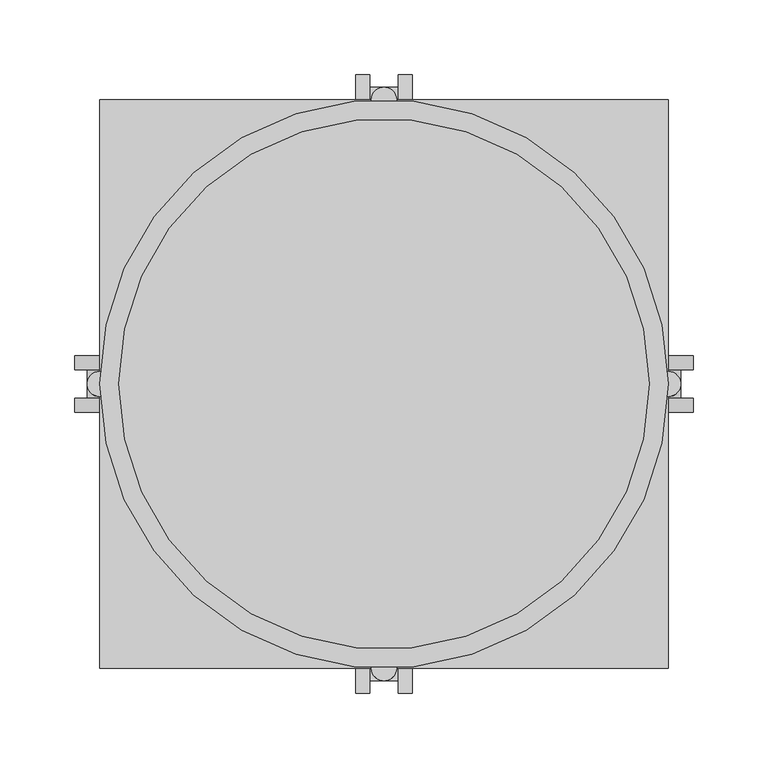
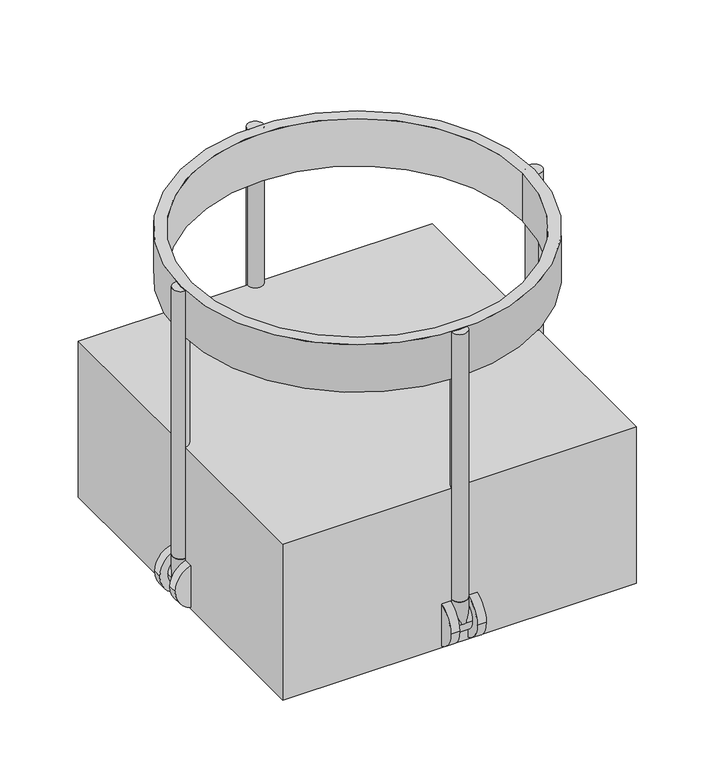
"""IFC4 building model written with IfcOpenShell, lengths in millimetres: proxy geometry."""

from ifc_helpers import new_model, si_unit, point, frame, frame_2d, origin, origin_with_axes, origin_2d, place, context, project, spatial, polyline, circle_curve, trimmed, segment, composite_curve, outline, extrude, source, transform, mapped, element, save


def specialty_equipment_7e218527(model_context):
    return source(origin(), model_context, "Body", "SweptSolid", [
        extrude(outline(composite_curve([segment(trimmed(circle_curve(origin_2d(), 190.5), [point((-190.5, 0.0))], [point((190.5, 0.0))], False, "CARTESIAN"), True, "CONTINUOUS"), segment(trimmed(circle_curve(origin_2d(), 190.5), [point((190.5, 0.0))], [point((-190.5, 0.0))], False, "CARTESIAN"), True, "CONTINUOUS")], self_intersect=False), holes=[composite_curve([segment(trimmed(circle_curve(origin_2d(), 177.8), [point((-177.8, 0.0))], [point((177.8, 0.0))], True, "CARTESIAN"), True, "CONTINUOUS"), segment(trimmed(circle_curve(origin_2d(), 177.8), [point((177.8, 0.0))], [point((-177.8, 0.0))], True, "CARTESIAN"), True, "CONTINUOUS")], self_intersect=False)]), frame((0.0, 0.0, 301.694085), z_axis=(0.0, 0.0, 1.0), x_axis=(1.0, 0.0, 0.0)), (0.0, 0.0, 1.0), 53.905915),
        extrude(outline(composite_curve([segment(trimmed(circle_curve(frame_2d((25.4, -182.0333333)), 25.4), [point((25.4, -156.6333333))], [point((25.4, -207.4333333))], False, "CARTESIAN"), True, "CONTINUOUS"), segment(trimmed(circle_curve(frame_2d((25.4, -182.0333333)), 25.4), [point((25.4, -207.4333333))], [point((25.4, -156.6333333))], False, "CARTESIAN"), True, "CONTINUOUS")], self_intersect=False)), frame((0.0, -19.05, 0.0), z_axis=(0.0, 1.0, 0.0), x_axis=(0.0, 0.0, 1.0)), (0.0, 0.0, 1.0), 9.525),
        extrude(outline(composite_curve([segment(trimmed(circle_curve(frame_2d((25.4, -182.0333333)), 25.4), [point((25.4, -156.6333333))], [point((25.4, -207.4333333))], False, "CARTESIAN"), True, "CONTINUOUS"), segment(trimmed(circle_curve(frame_2d((25.4, -182.0333333)), 25.4), [point((25.4, -207.4333333))], [point((25.4, -156.6333333))], False, "CARTESIAN"), True, "CONTINUOUS")], self_intersect=False)), frame((0.0, 9.525, 0.0), z_axis=(0.0, 1.0, 0.0), x_axis=(0.0, 0.0, 1.0)), (0.0, 0.0, 1.0), 9.525),
        extrude(outline(composite_curve([segment(trimmed(circle_curve(frame_2d((-190.5, 0.0)), 8.4666667), [point((-190.5, 8.4666667))], [point((-190.5, -8.4666667))], False, "CARTESIAN"), True, "CONTINUOUS"), segment(trimmed(circle_curve(frame_2d((-190.5, 0.0)), 8.4666667), [point((-190.5, -8.4666667))], [point((-190.5, 8.4666667))], False, "CARTESIAN"), True, "CONTINUOUS")], self_intersect=False)), frame((0.0, 0.0, 25.4), z_axis=(0.0, 0.0, 1.0), x_axis=(1.0, 0.0, 0.0)), (0.0, 0.0, 1.0), 25.4),
        extrude(outline(composite_curve([segment(trimmed(circle_curve(frame_2d((25.4, -182.0333333)), 16.9333333), [point((25.4, -165.1))], [point((25.4, -198.9666667))], False, "CARTESIAN"), True, "CONTINUOUS"), segment(trimmed(circle_curve(frame_2d((25.4, -182.0333333)), 16.9333333), [point((25.4, -198.9666667))], [point((25.4, -165.1))], False, "CARTESIAN"), True, "CONTINUOUS")], self_intersect=False)), frame((0.0, -9.525, 0.0), z_axis=(0.0, 1.0, 0.0), x_axis=(0.0, 0.0, 1.0)), (0.0, 0.0, 1.0), 19.05),
        extrude(outline(composite_curve([segment(trimmed(circle_curve(frame_2d((25.4, 182.0333333)), 25.4), [point((25.4, 156.6333333))], [point((25.4, 207.4333333))], False, "CARTESIAN"), True, "CONTINUOUS"), segment(trimmed(circle_curve(frame_2d((25.4, 182.0333333)), 25.4), [point((25.4, 207.4333333))], [point((25.4, 156.6333333))], False, "CARTESIAN"), True, "CONTINUOUS")], self_intersect=False)), frame((0.0, -19.05, 0.0), z_axis=(0.0, 1.0, 0.0), x_axis=(0.0, 0.0, 1.0)), (0.0, 0.0, 1.0), 9.525),
        extrude(outline(composite_curve([segment(trimmed(circle_curve(frame_2d((25.4, 182.0333333)), 25.4), [point((25.4, 156.6333333))], [point((25.4, 207.4333333))], False, "CARTESIAN"), True, "CONTINUOUS"), segment(trimmed(circle_curve(frame_2d((25.4, 182.0333333)), 25.4), [point((25.4, 207.4333333))], [point((25.4, 156.6333333))], False, "CARTESIAN"), True, "CONTINUOUS")], self_intersect=False)), frame((0.0, 9.525, 0.0), z_axis=(0.0, 1.0, 0.0), x_axis=(0.0, 0.0, 1.0)), (0.0, 0.0, 1.0), 9.525),
        extrude(outline(composite_curve([segment(trimmed(circle_curve(frame_2d((190.5, 0.0)), 8.4666667), [point((190.5, 8.4666667))], [point((190.5, -8.4666667))], False, "CARTESIAN"), True, "CONTINUOUS"), segment(trimmed(circle_curve(frame_2d((190.5, 0.0)), 8.4666667), [point((190.5, -8.4666667))], [point((190.5, 8.4666667))], False, "CARTESIAN"), True, "CONTINUOUS")], self_intersect=False)), frame((0.0, 0.0, 25.4), z_axis=(0.0, 0.0, 1.0), x_axis=(1.0, 0.0, 0.0)), (0.0, 0.0, 1.0), 25.4),
        extrude(outline(composite_curve([segment(trimmed(circle_curve(frame_2d((25.4, 182.0333333)), 16.9333333), [point((25.4, 165.1))], [point((25.4, 198.9666667))], False, "CARTESIAN"), True, "CONTINUOUS"), segment(trimmed(circle_curve(frame_2d((25.4, 182.0333333)), 16.9333333), [point((25.4, 198.9666667))], [point((25.4, 165.1))], False, "CARTESIAN"), True, "CONTINUOUS")], self_intersect=False)), frame((0.0, -9.525, 0.0), z_axis=(0.0, 1.0, 0.0), x_axis=(0.0, 0.0, 1.0)), (0.0, 0.0, 1.0), 19.05),
        extrude(outline(composite_curve([segment(trimmed(circle_curve(frame_2d((-182.0333333, 25.4)), 25.4), [point((-156.6333333, 25.4))], [point((-207.4333333, 25.4))], False, "CARTESIAN"), True, "CONTINUOUS"), segment(trimmed(circle_curve(frame_2d((-182.0333333, 25.4)), 25.4), [point((-207.4333333, 25.4))], [point((-156.6333333, 25.4))], False, "CARTESIAN"), True, "CONTINUOUS")], self_intersect=False)), frame((9.525, 0.0, 0.0), z_axis=(1.0, 0.0, 0.0), x_axis=(0.0, 1.0, 0.0)), (0.0, 0.0, 1.0), 9.525),
        extrude(outline(composite_curve([segment(trimmed(circle_curve(frame_2d((-182.0333333, 25.4)), 25.4), [point((-156.6333333, 25.4))], [point((-207.4333333, 25.4))], False, "CARTESIAN"), True, "CONTINUOUS"), segment(trimmed(circle_curve(frame_2d((-182.0333333, 25.4)), 25.4), [point((-207.4333333, 25.4))], [point((-156.6333333, 25.4))], False, "CARTESIAN"), True, "CONTINUOUS")], self_intersect=False)), frame((-19.05, 0.0, 0.0), z_axis=(1.0, 0.0, 0.0), x_axis=(0.0, 1.0, 0.0)), (0.0, 0.0, 1.0), 9.525),
        extrude(outline(composite_curve([segment(trimmed(circle_curve(frame_2d((0.0, -190.5)), 8.4666667), [point((-8.4666667, -190.5))], [point((8.4666667, -190.5))], False, "CARTESIAN"), True, "CONTINUOUS"), segment(trimmed(circle_curve(frame_2d((0.0, -190.5)), 8.4666667), [point((8.4666667, -190.5))], [point((-8.4666667, -190.5))], False, "CARTESIAN"), True, "CONTINUOUS")], self_intersect=False)), frame((0.0, 0.0, 25.4), z_axis=(0.0, 0.0, 1.0), x_axis=(1.0, 0.0, 0.0)), (0.0, 0.0, 1.0), 25.4),
        extrude(outline(composite_curve([segment(trimmed(circle_curve(frame_2d((-182.0333333, 25.4)), 16.9333333), [point((-165.1, 25.4))], [point((-198.9666667, 25.4))], False, "CARTESIAN"), True, "CONTINUOUS"), segment(trimmed(circle_curve(frame_2d((-182.0333333, 25.4)), 16.9333333), [point((-198.9666667, 25.4))], [point((-165.1, 25.4))], False, "CARTESIAN"), True, "CONTINUOUS")], self_intersect=False)), frame((-9.525, 0.0, 0.0), z_axis=(1.0, 0.0, 0.0), x_axis=(0.0, 1.0, 0.0)), (0.0, 0.0, 1.0), 19.05),
        extrude(outline(composite_curve([segment(trimmed(circle_curve(frame_2d((182.0333333, 25.4)), 25.4), [point((156.6333333, 25.4))], [point((207.4333333, 25.4))], False, "CARTESIAN"), True, "CONTINUOUS"), segment(trimmed(circle_curve(frame_2d((182.0333333, 25.4)), 25.4), [point((207.4333333, 25.4))], [point((156.6333333, 25.4))], False, "CARTESIAN"), True, "CONTINUOUS")], self_intersect=False)), frame((9.525, 0.0, 0.0), z_axis=(1.0, 0.0, 0.0), x_axis=(0.0, 1.0, 0.0)), (0.0, 0.0, 1.0), 9.525),
        extrude(outline(composite_curve([segment(trimmed(circle_curve(frame_2d((182.0333333, 25.4)), 25.4), [point((156.6333333, 25.4))], [point((207.4333333, 25.4))], False, "CARTESIAN"), True, "CONTINUOUS"), segment(trimmed(circle_curve(frame_2d((182.0333333, 25.4)), 25.4), [point((207.4333333, 25.4))], [point((156.6333333, 25.4))], False, "CARTESIAN"), True, "CONTINUOUS")], self_intersect=False)), frame((-19.05, 0.0, 0.0), z_axis=(1.0, 0.0, 0.0), x_axis=(0.0, 1.0, 0.0)), (0.0, 0.0, 1.0), 9.525),
        extrude(outline(composite_curve([segment(trimmed(circle_curve(frame_2d((0.0, 190.5)), 8.4666667), [point((-8.4666667, 190.5))], [point((8.4666667, 190.5))], False, "CARTESIAN"), True, "CONTINUOUS"), segment(trimmed(circle_curve(frame_2d((0.0, 190.5)), 8.4666667), [point((8.4666667, 190.5))], [point((-8.4666667, 190.5))], False, "CARTESIAN"), True, "CONTINUOUS")], self_intersect=False)), frame((0.0, 0.0, 25.4), z_axis=(0.0, 0.0, 1.0), x_axis=(1.0, 0.0, 0.0)), (0.0, 0.0, 1.0), 25.4),
        extrude(outline(composite_curve([segment(trimmed(circle_curve(frame_2d((182.0333333, 25.4)), 16.9333333), [point((165.1, 25.4))], [point((198.9666667, 25.4))], False, "CARTESIAN"), True, "CONTINUOUS"), segment(trimmed(circle_curve(frame_2d((182.0333333, 25.4)), 16.9333333), [point((198.9666667, 25.4))], [point((165.1, 25.4))], False, "CARTESIAN"), True, "CONTINUOUS")], self_intersect=False)), frame((-9.525, 0.0, 0.0), z_axis=(1.0, 0.0, 0.0), x_axis=(0.0, 1.0, 0.0)), (0.0, 0.0, 1.0), 19.05),
        extrude(outline(composite_curve([segment(trimmed(circle_curve(frame_2d((-190.5, 0.0)), 8.4666667), [point((-190.5, 8.4666667))], [point((-190.5, -8.4666667))], False, "CARTESIAN"), True, "CONTINUOUS"), segment(trimmed(circle_curve(frame_2d((-190.5, 0.0)), 8.4666667), [point((-190.5, -8.4666667))], [point((-190.5, 8.4666667))], False, "CARTESIAN"), True, "CONTINUOUS")], self_intersect=False)), frame((0.0, 0.0, 50.8), z_axis=(0.0, 0.0, 1.0), x_axis=(1.0, 0.0, 0.0)), (0.0, 0.0, 1.0), 304.8),
        extrude(outline(composite_curve([segment(trimmed(circle_curve(frame_2d((0.0, 190.5)), 8.4666667), [point((8.4666667, 190.5))], [point((-8.4666667, 190.5))], False, "CARTESIAN"), True, "CONTINUOUS"), segment(trimmed(circle_curve(frame_2d((0.0, 190.5)), 8.4666667), [point((-8.4666667, 190.5))], [point((8.4666667, 190.5))], False, "CARTESIAN"), True, "CONTINUOUS")], self_intersect=False)), frame((0.0, 0.0, 50.8), z_axis=(0.0, 0.0, 1.0), x_axis=(1.0, 0.0, 0.0)), (0.0, 0.0, 1.0), 304.8),
        extrude(outline(composite_curve([segment(trimmed(circle_curve(frame_2d((190.5, 0.0)), 8.4666667), [point((190.5, -8.4666667))], [point((190.5, 8.4666667))], False, "CARTESIAN"), True, "CONTINUOUS"), segment(trimmed(circle_curve(frame_2d((190.5, 0.0)), 8.4666667), [point((190.5, 8.4666667))], [point((190.5, -8.4666667))], False, "CARTESIAN"), True, "CONTINUOUS")], self_intersect=False)), frame((0.0, 0.0, 50.8), z_axis=(0.0, 0.0, 1.0), x_axis=(1.0, 0.0, 0.0)), (0.0, 0.0, 1.0), 304.8),
        extrude(outline(composite_curve([segment(trimmed(circle_curve(frame_2d((0.0, -190.5)), 8.4666667), [point((-8.4666667, -190.5))], [point((8.4666667, -190.5))], False, "CARTESIAN"), True, "CONTINUOUS"), segment(trimmed(circle_curve(frame_2d((0.0, -190.5)), 8.4666667), [point((8.4666667, -190.5))], [point((-8.4666667, -190.5))], False, "CARTESIAN"), True, "CONTINUOUS")], self_intersect=False)), frame((0.0, 0.0, 50.8), z_axis=(0.0, 0.0, 1.0), x_axis=(1.0, 0.0, 0.0)), (0.0, 0.0, 1.0), 304.8),
        extrude(outline(polyline([(-190.5, 190.5), (190.5, 190.5), (190.5, -190.5), (-190.5, -190.5), (-190.5, 0.0), (-190.5, 190.5)])), origin_with_axes(), (0.0, 0.0, 1.0), 177.8),
    ])


if __name__ == "__main__":
    model = new_model("IFC4")
    model_context = context("Model", 3, world=origin())
    ifc_project = project(units=[si_unit("LENGTHUNIT", "METRE", prefix="MILLI")], contexts=[model_context])
    site = spatial("IfcSite", under=ifc_project)
    building = spatial("IfcBuilding", under=site)
    placement = place(None, origin())
    specialty_equipment_shape = specialty_equipment_7e218527(model_context)
    element("IfcBuildingElementProxy", 1, Name="Specialty Equipment", at=placement, inside=building, context=model_context, shape_type="MappedRepresentation", body=[
        mapped(specialty_equipment_shape, transform((0.0, 0.0, 0.0), x_axis=(1.0, 0.0, 0.0), y_axis=(0.0, 1.0, 0.0), z_axis=(0.0, 0.0, 1.0))),
    ])
    save(model, "model.ifc")
